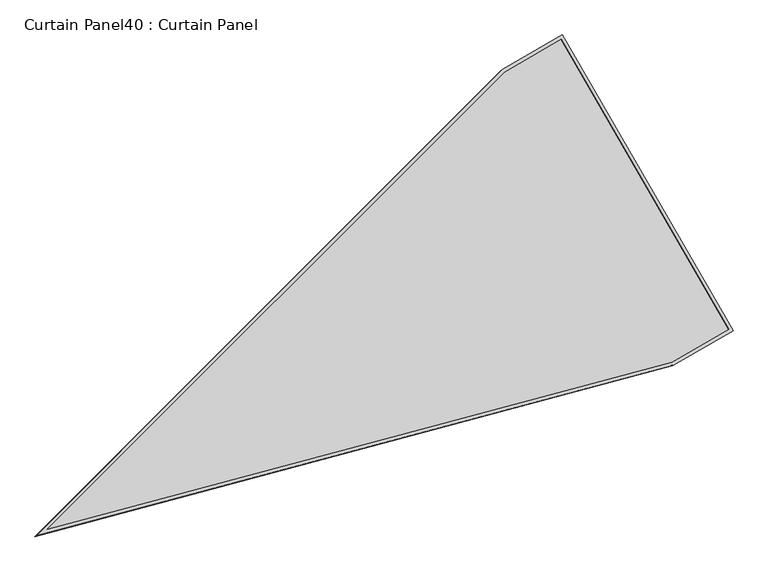
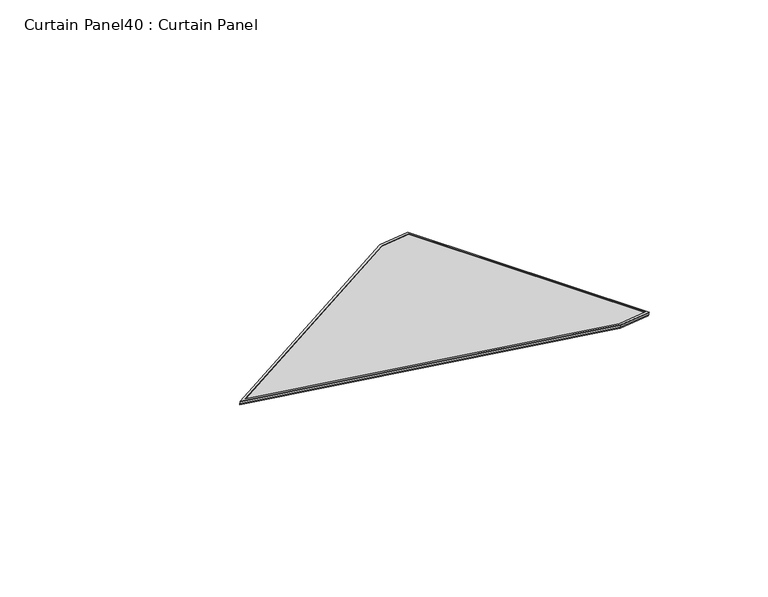
"""IFC4 building model written with IfcOpenShell, lengths in millimetres: plate geometry, Curtain Panel40 : Curtain Panel."""

import ifcopenshell
import ifcopenshell.guid

model = None  # the IFC model being written
_history = None  # IfcOwnerHistory: only IFC2X3 demands one
_inside = {}  # id of a spatial element -> (the spatial element, [elements in it])
_under = {}  # id of a project, library or spatial element -> (it, [spatial elements below it])
_declared = {}  # id of a project -> (the project, [libraries it declares])
_typed = {}  # id of a type object -> (the type object, [elements of that type])
_made_of = {}  # id of a material, layer set ... -> (it, [elements and type objects made of it])


def new_model(schema):
    """Start an empty IFC model of exactly this schema.

    Asked for "IFC4X3", IfcOpenShell would pick the latest addendum, in which some entities
    have other attributes; the version numbers below select the first issue.
    IFC2X3 requires an IfcOwnerHistory on every rooted entity: one is made here for all.
    """
    global model, _history
    if schema == "IFC4X3":
        model = ifcopenshell.file(schema_version=(4, 3, 0, 0))
    else:
        model = ifcopenshell.file(schema=schema)
    _inside.clear()
    _under.clear()
    _declared.clear()
    _typed.clear()
    _made_of.clear()
    _history = None
    if model.schema == "IFC2X3":
        org = make("IfcOrganization", Name="unknown")
        user = make(
            "IfcPersonAndOrganization",
            ThePerson=make("IfcPerson", FamilyName="unknown"),
            TheOrganization=org,
        )
        app = make(
            "IfcApplication",
            ApplicationDeveloper=org,
            Version="unknown",
            ApplicationFullName="unknown",
            ApplicationIdentifier="unknown",
        )
        _history = make(
            "IfcOwnerHistory",
            OwningUser=user,
            OwningApplication=app,
            ChangeAction="ADDED",
            CreationDate=0,
        )
    return model


def make(cls, **values):
    """One entity of the class cls with the attributes given. An attribute that is None is left unset."""
    return model.create_entity(
        cls, **{name: value for name, value in values.items() if value is not None}
    )


def rooted(cls, **values):
    """An entity with a GlobalId (a new one), such as an element, a storey or a relation."""
    return make(cls, GlobalId=ifcopenshell.guid.new(), OwnerHistory=_history, **values)


def si_unit(unit_type, name, prefix=None):
    """IfcSIUnit, for example si_unit("LENGTHUNIT", "METRE", prefix="MILLI")."""
    return make("IfcSIUnit", UnitType=unit_type, Prefix=prefix, Name=name)


def assignment(units):
    """IfcUnitAssignment: the units of a project."""
    return None if units is None else make("IfcUnitAssignment", Units=units)


def point(xyz):
    """IfcCartesianPoint."""
    return None if xyz is None else make("IfcCartesianPoint", Coordinates=xyz)


def direction(xyz):
    """IfcDirection."""
    return None if xyz is None else make("IfcDirection", DirectionRatios=xyz)


def frame(location, z_axis=None, x_axis=None):
    """IfcAxis2Placement3D, a coordinate frame: its origin and axes. An axis left out is left unset."""
    return make(
        "IfcAxis2Placement3D",
        Location=point(location),
        Axis=direction(z_axis),
        RefDirection=direction(x_axis),
    )


def origin():
    """The frame at (0, 0, 0) with its axes left unset."""
    return frame((0.0, 0.0, 0.0))


def place(relative_to, where):
    """IfcLocalPlacement: puts the frame where relative to a parent placement (None: the world)."""
    return make(
        "IfcLocalPlacement", PlacementRelTo=relative_to, RelativePlacement=where
    )


def context(
    kind, dimensions, precision=None, world=None, true_north=None, identifier=None
):
    """IfcGeometricRepresentationContext, for example the 3D "Model" context."""
    return make(
        "IfcGeometricRepresentationContext",
        ContextIdentifier=identifier,
        ContextType=kind,
        CoordinateSpaceDimension=dimensions,
        Precision=precision,
        WorldCoordinateSystem=world,
        TrueNorth=true_north,
    )


def project(units=None, contexts=None):
    """IfcProject with its units and contexts."""
    return rooted(
        "IfcProject",
        Name="project",
        RepresentationContexts=contexts,
        UnitsInContext=assignment(units),
    )


def spatial(cls, under=None, at=None, **own):
    """A site, building, storey or space (cls), placed at a placement, below another one or the project."""
    s = rooted(cls, ObjectPlacement=at, **own)
    if under is not None:
        _under.setdefault(under.id(), (under, []))[1].append(s)
    return s


def polyline(points):
    """IfcPolyline through the points."""
    return make("IfcPolyline", Points=[point(p) for p in points])


def outline(outer, holes=None, kind="AREA"):
    """IfcArbitraryClosedProfileDef: a profile drawn as a closed curve; with holes, ...WithVoids."""
    if holes is None:
        return make("IfcArbitraryClosedProfileDef", ProfileType=kind, OuterCurve=outer)
    return make(
        "IfcArbitraryProfileDefWithVoids",
        ProfileType=kind,
        OuterCurve=outer,
        InnerCurves=holes,
    )


def extrude(swept, where, along, depth):
    """IfcExtrudedAreaSolid: the profile swept, set in the frame where, extruded along a direction by depth."""
    return make(
        "IfcExtrudedAreaSolid",
        SweptArea=swept,
        Position=where,
        ExtrudedDirection=direction(along),
        Depth=depth,
    )


def shape(context_of_items, identifier, shape_type, items):
    """IfcShapeRepresentation: the items that make up one representation, for example the "Body"."""
    return make(
        "IfcShapeRepresentation",
        ContextOfItems=context_of_items,
        RepresentationIdentifier=identifier,
        RepresentationType=shape_type,
        Items=items,
    )


def source(mapping_origin, context_of_items, identifier, shape_type, items):
    """IfcRepresentationMap: a shape defined once, which mapped items show again and again."""
    return make(
        "IfcRepresentationMap",
        MappingOrigin=mapping_origin,
        MappedRepresentation=shape(context_of_items, identifier, shape_type, items),
    )


def transform(
    local_origin,
    x_axis=None,
    y_axis=None,
    z_axis=None,
    scale=None,
    scale2=None,
    scale3=None,
    uniform=True,
):
    """IfcCartesianTransformationOperator3D, or its non-uniform kind. x_axis, y_axis, z_axis: its Axis1, 2, 3."""
    if uniform:
        return make(
            "IfcCartesianTransformationOperator3D",
            Axis1=direction(x_axis),
            Axis2=direction(y_axis),
            LocalOrigin=point(local_origin),
            Scale=scale,
            Axis3=direction(z_axis),
        )
    return make(
        "IfcCartesianTransformationOperator3DnonUniform",
        Axis1=direction(x_axis),
        Axis2=direction(y_axis),
        LocalOrigin=point(local_origin),
        Scale=scale,
        Axis3=direction(z_axis),
        Scale2=scale2,
        Scale3=scale3,
    )


def mapped(mapping_source, mapping_target):
    """IfcMappedItem: shows the shape of a source again, moved by a transform."""
    return make(
        "IfcMappedItem", MappingSource=mapping_source, MappingTarget=mapping_target
    )


def made_of(thing, what):
    """Note that an element or type object is made of a material, layer set ...; save() writes the relation."""
    if what is not None:
        _made_of.setdefault(what.id(), (what, []))[1].append(thing)
    return thing


def element(
    cls,
    number,
    at=None,
    inside=None,
    cuts=None,
    type_object=None,
    material=None,
    context=None,
    identifier="Body",
    shape_type=None,
    held_by="IfcProductDefinitionShape",
    body=None,
    shapes=None,
    **own,
):
    """One element of the class cls, such as IfcWall. Its Tag is "e" and its number.

    at: its placement. inside: the storey or other place that contains it. cuts: it is an
    opening in that element (IfcRelVoidsElement). A single representation is given by context,
    identifier, shape_type and body (its items); several are given by shapes. held_by: the class
    of the entity that holds the representations. save() writes the other relations.
    """
    e = rooted(cls, Tag="e%d" % number, ObjectPlacement=at, **own)
    if body is not None:
        shapes = [shape(context, identifier, shape_type, body)]
    if shapes is not None:
        e.Representation = make(held_by, Representations=shapes)
    if inside is not None:
        _inside.setdefault(inside.id(), (inside, []))[1].append(e)
    if cuts is not None:
        rooted(
            "IfcRelVoidsElement", RelatingBuildingElement=cuts, RelatedOpeningElement=e
        )
    if type_object is not None:
        _typed.setdefault(type_object.id(), (type_object, []))[1].append(e)
    return made_of(e, material)


def aggregate(whole, parts):
    """IfcRelAggregates: a whole, such as a stair, and the parts it consists of."""
    return rooted("IfcRelAggregates", RelatingObject=whole, RelatedObjects=parts)


def save(model, path):
    """Write the relations noted so far, then the file.

    IfcRelAggregates (storeys below a building ...), IfcRelContainedInSpatialStructure (elements
    in a storey), IfcRelDefinesByType, IfcRelAssociatesMaterial and IfcRelDeclares: one each for
    every whole, place, type object, material and project.
    """
    for whole, parts in _under.values():
        aggregate(whole, parts)
    for where, things in _inside.values():
        rooted(
            "IfcRelContainedInSpatialStructure",
            RelatedElements=things,
            RelatingStructure=where,
        )
    for kind, things in _typed.values():
        rooted("IfcRelDefinesByType", RelatedObjects=things, RelatingType=kind)
    for what, things in _made_of.values():
        rooted("IfcRelAssociatesMaterial", RelatedObjects=things, RelatingMaterial=what)
    for by, libraries in _declared.values():
        rooted("IfcRelDeclares", RelatingContext=by, RelatedDefinitions=libraries)
    model.write(path)


def curtain_panel40_curtain_panel_f20a85f0(model_context):
    return source(origin(), model_context, "Body", "SweptSolid", [
        extrude(outline(polyline([(847.432027, -3694.9746724), (0.0, -361.3349368), (0.0, 0.0), (1694.8442516, 0.0), (1694.8442516, -361.4128359), (847.432027, -3694.9746724)]), holes=[polyline([(1678.1716537, -16.672598), (16.6725979, -16.672598), (16.672598, -359.2489694), (847.432027, -3627.3018104), (1678.1716537, -359.3268683), (1678.1716537, -16.672598)])]), frame((14945.6310769, 3850.0790768, 1930.2790281), z_axis=(0.27379031486165567, 0.15807291198688525, 0.9487106081329237), x_axis=(0.49999999999999256, -0.8660254037844429, 0.0)), (0.0, 0.0, 1.0), 4.8464285),
        extrude(outline(polyline([(847.432027, -3694.9746722), (0.0, -361.3349367), (0.0, 0.0), (1694.8442516, 0.0), (1694.8442516, -361.4128357), (847.432027, -3694.9746722)]), holes=[polyline([(1684.5216537, -10.3225979), (10.322598, -10.3225978), (10.3225979, -360.0434401), (847.432027, -3653.0759982), (1684.5216536, -360.1213391), (1684.5216537, -10.3225979)])]), frame((14940.8024527, 3847.2912693, 1913.5473665), z_axis=(0.2737903148616797, 0.15807291198689932, 0.9487106081329145), x_axis=(0.49999999999999256, -0.866025403784443, 0.0)), (0.0, 0.0, 1.0), 4.8026954),
        extrude(outline(polyline([(12.7, 0.0), (1707.5442516, 0.0), (1707.5442516, -361.4128357), (860.132027, -3694.9746723), (12.6999999, -361.3349368), (12.7, 0.0)])), frame((14935.7673842, 3859.048968, 1918.1037346), z_axis=(0.27379031486168004, 0.1580729119869, 0.9487106081329142), x_axis=(0.499999999999993, -0.8660254037844427, 0.0)), (0.0, 0.0, 1.0), 12.8335168),
    ])


if __name__ == "__main__":
    model = new_model("IFC4")
    model_context = context("Model", 3, world=origin())
    ifc_project = project(units=[si_unit("LENGTHUNIT", "METRE", prefix="MILLI")], contexts=[model_context])
    site = spatial("IfcSite", under=ifc_project)
    building = spatial("IfcBuilding", under=site)
    placement = place(None, origin())
    curtain_panel40_curtain_panel_shape = curtain_panel40_curtain_panel_f20a85f0(model_context)
    element("IfcPlate", 1, ObjectType="Curtain Panel40 : Curtain Panel", at=placement, inside=building, context=model_context, shape_type="MappedRepresentation", body=[
        mapped(curtain_panel40_curtain_panel_shape, transform((0.0, 0.0, 0.0), x_axis=(1.0, 0.0, 0.0), y_axis=(0.0, 1.0, 0.0), z_axis=(0.0, 0.0, 1.0))),
    ])
    save(model, "model.ifc")
